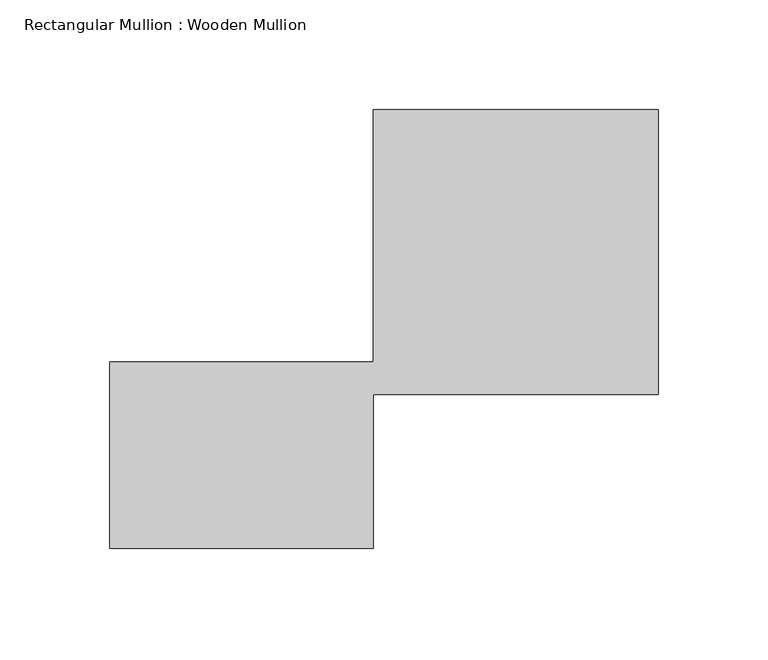
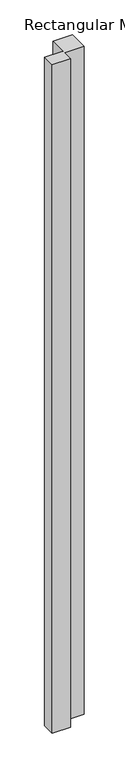
"""IFC4 building model written with IfcOpenShell, lengths in millimetres: member geometry, Rectangular Mullion : Wooden Mullion."""

from ifc_helpers import new_model, si_unit, frame, origin, place, context, project, spatial, polyline, outline, extrude, source, transform, mapped, element, save


def rectangular_mullion_wooden_mullion_2d28864c(model_context):
    return source(origin(), model_context, "Body", "SweptSolid", [
        extrude(outline(polyline([(74.8100006, -26.0137344), (-45.1899994, -26.0137344), (-45.1899994, 58.9862656), (74.8100006, 58.9862656), (74.8100006, 173.9862656), (204.8100006, 173.9862656), (204.8100006, 43.9862656), (74.8100006, 43.9862656), (74.8100006, -26.0137344)])), frame((0.0, 0.0, -4652.9118492), z_axis=(0.0, 0.0, 1.0), x_axis=(1.0, 0.0, 0.0)), (0.0, 0.0, 1.0), 4652.9118492),
    ])


if __name__ == "__main__":
    model = new_model("IFC4")
    model_context = context("Model", 3, world=origin())
    ifc_project = project(units=[si_unit("LENGTHUNIT", "METRE", prefix="MILLI")], contexts=[model_context])
    site = spatial("IfcSite", under=ifc_project)
    building = spatial("IfcBuilding", under=site)
    placement = place(None, origin())
    rectangular_mullion_wooden_mullion_shape = rectangular_mullion_wooden_mullion_2d28864c(model_context)
    element("IfcMember", 1, ObjectType="Rectangular Mullion : Wooden Mullion", at=placement, inside=building, context=model_context, shape_type="MappedRepresentation", body=[
        mapped(rectangular_mullion_wooden_mullion_shape, transform((0.0, 0.0, 0.0), x_axis=(1.0, 0.0, 0.0), y_axis=(0.0, 1.0, 0.0), z_axis=(0.0, 0.0, 1.0))),
    ])
    save(model, "model.ifc")
